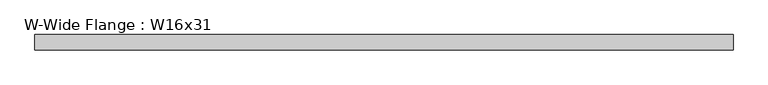
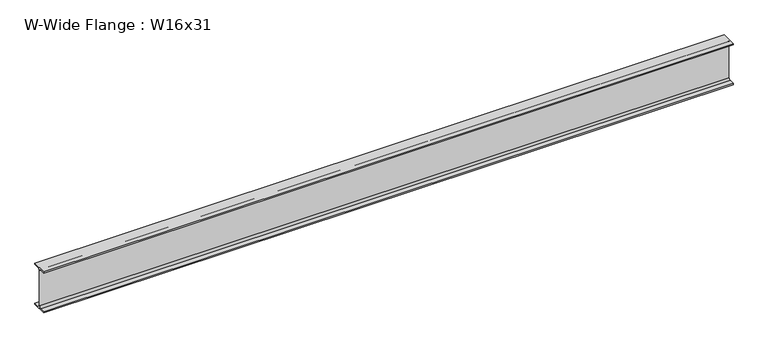
"""IFC4 building model written with IfcOpenShell, lengths in millimetres: beam geometry, W-Wide Flange : W16x31."""

from ifc_helpers import new_model, si_unit, point, frame, frame_2d, origin, place, context, project, spatial, polyline, circle_curve, trimmed, segment, composite_curve, outline, extrude, source, transform, mapped, element, save


def w_wide_flange_w16x31_518164b8(model_context):
    return source(origin(), model_context, "Body", "SweptSolid", [
        extrude(outline(composite_curve([segment(polyline([(70.231, -190.754), (70.231, -201.93), (-70.231, -201.93), (-70.231, -190.754), (-20.8915, -190.754)]), True, "CONTINUOUS"), segment(trimmed(circle_curve(frame_2d((-20.8915, -173.355)), 17.399), [point((-20.8915, -190.754))], [point((-3.4925, -173.355))], True, "CARTESIAN"), True, "CONTINUOUS"), segment(polyline([(-3.4925, -173.355), (-3.4925, 173.355)]), True, "CONTINUOUS"), segment(trimmed(circle_curve(frame_2d((-20.8915, 173.355)), 17.399), [point((-3.4925, 173.355))], [point((-20.8915, 190.754))], True, "CARTESIAN"), True, "CONTINUOUS"), segment(polyline([(-20.8915, 190.754), (-70.231, 190.754), (-70.231, 201.93), (70.231, 201.93), (70.231, 190.754), (20.8915, 190.754)]), True, "CONTINUOUS"), segment(trimmed(circle_curve(frame_2d((20.8915, 173.355)), 17.399), [point((20.8915, 190.754))], [point((3.4925, 173.355))], True, "CARTESIAN"), True, "CONTINUOUS"), segment(polyline([(3.4925, 173.355), (3.4925, -173.355)]), True, "CONTINUOUS"), segment(trimmed(circle_curve(frame_2d((20.8915, -173.355)), 17.399), [point((3.4925, -173.355))], [point((20.8915, -190.754))], True, "CARTESIAN"), True, "CONTINUOUS"), segment(polyline([(20.8915, -190.754), (70.231, -190.754)]), True, "CONTINUOUS")], self_intersect=False)), frame((-3213.9053156, 0.0, 0.0), z_axis=(1.0, 0.0, 0.0), x_axis=(0.0, 1.0, 0.0)), (0.0, 0.0, 1.0), 6416.5379637),
    ])


if __name__ == "__main__":
    model = new_model("IFC4")
    model_context = context("Model", 3, world=origin())
    ifc_project = project(units=[si_unit("LENGTHUNIT", "METRE", prefix="MILLI")], contexts=[model_context])
    site = spatial("IfcSite", under=ifc_project)
    building = spatial("IfcBuilding", under=site)
    placement = place(None, origin())
    w_wide_flange_w16x31_shape = w_wide_flange_w16x31_518164b8(model_context)
    element("IfcBeam", 1, ObjectType="W-Wide Flange : W16x31", at=placement, inside=building, context=model_context, shape_type="MappedRepresentation", body=[
        mapped(w_wide_flange_w16x31_shape, transform((0.0, 0.0, 0.0), x_axis=(1.0, 0.0, 0.0), y_axis=(0.0, 1.0, 0.0), z_axis=(0.0, 0.0, 1.0))),
    ])
    save(model, "model.ifc")
